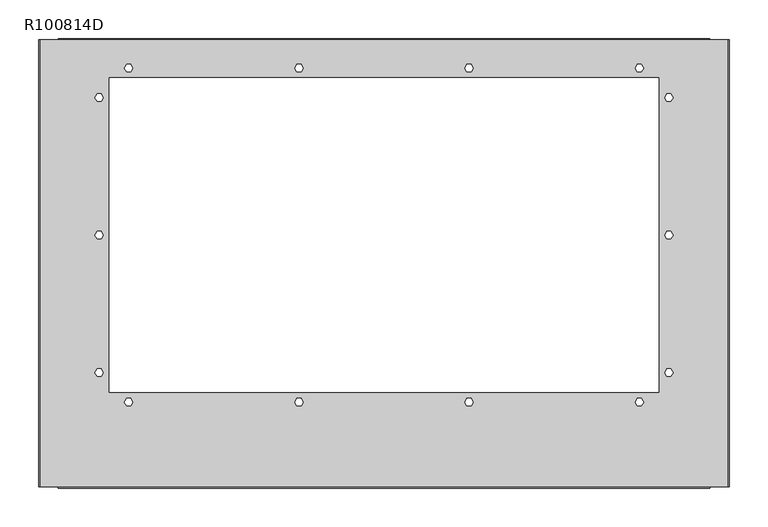
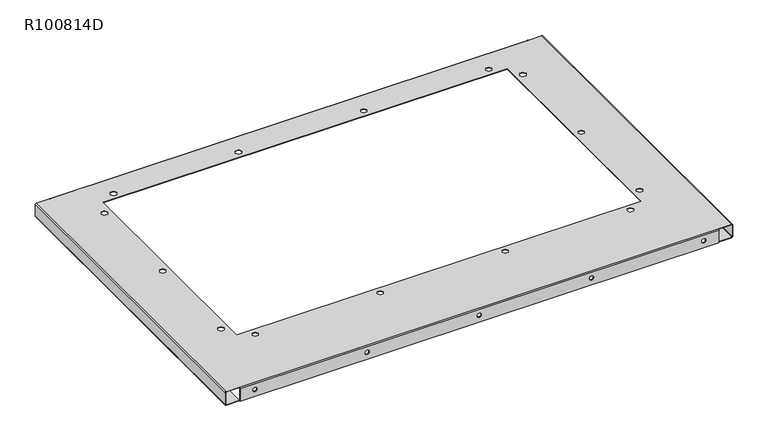
"""IFC4 building model written with IfcOpenShell, lengths in millimetres: proxy geometry, R100814D."""

from ifc_helpers import new_model, si_unit, frame, origin, place, context, project, spatial, polyline, circle_curve, source, transform, mapped, element, save
from ifc_brep_helpers import plane_surface, cylinder_surface, revolved_surface, advanced_brep


def r100814d_693b09c1(model_context):
    return source(origin(), model_context, "Body", "AdvancedBrep", [
        advanced_brep(
        [(458.9806764, -318.0851254, -11.84656), (458.9806764, -318.9385654, -11.84656), (451.7416764, -318.9385654, -11.84656), (451.7416764, -318.0851254, -11.84656), (-330.9593236, -318.0851254, -11.84656), (-330.9593236, -318.9385654, -11.84656), (-338.1983236, -318.9385654, -11.84656), (-338.1983236, -318.0851254, -11.84656), (64.0106764, -318.0851254, -11.84656), (64.0106764, -318.9385654, -11.84656), (56.7716764, -318.9385654, -11.84656), (56.7716764, -318.0851254, -11.84656), (-133.4743236, -318.0851254, -11.84656), (-133.4743236, -318.9385654, -11.84656), (-140.7133236, -318.9385654, -11.84656), (-140.7133236, -318.0851254, -11.84656), (261.4956764, -318.0851254, -11.84656), (261.4956764, -318.9385654, -11.84656), (254.2566764, -318.9385654, -11.84656), (254.2566764, -318.0851254, -11.84656), (431.440807, -164.6208654, 0.85344), (425.9415457, -164.6208654, 0.85344), (425.9415457, -164.6208654, 0.0), (431.440807, -164.6208654, 0.0), (423.191915, -169.3833654, 0.85344), (423.191915, -169.3833654, 0.0), (425.9415457, -174.1458654, 0.85344), (425.9415457, -174.1458654, 0.0), (431.440807, -174.1458654, 0.85344), (431.440807, -174.1458654, 0.0), (434.1904377, -169.3833654, 0.85344), (434.1904377, -169.3833654, 0.0), (-302.4095623, -169.3833654, 0.85344), (-305.159193, -164.6208654, 0.85344), (-305.159193, -164.6208654, 0.0), (-302.4095623, -169.3833654, 0.0), (-310.6584543, -164.6208654, 0.85344), (-310.6584543, -164.6208654, 0.0), (-313.408085, -169.3833654, 0.85344), (-313.408085, -169.3833654, 0.0), (-310.6584543, -174.1458654, 0.85344), (-310.6584543, -174.1458654, 0.0), (-305.159193, -174.1458654, 0.85344), (-305.159193, -174.1458654, 0.0), (-272.5584543, -212.2458654, 0.85344), (-267.059193, -212.2458654, 0.85344), (-267.059193, -212.2458654, 0.0), (-272.5584543, -212.2458654, 0.0), (-264.3095623, -207.4833654, 0.85344), (-264.3095623, -207.4833654, 0.0), (-267.059193, -202.7208654, 0.85344), (-267.059193, -202.7208654, 0.0), (-272.5584543, -202.7208654, 0.85344), (-272.5584543, -202.7208654, 0.0), (-275.308085, -207.4833654, 0.85344), (-275.308085, -207.4833654, 0.0), (-46.917393, -202.7208654, 0.85344), (-52.4166543, -202.7208654, 0.85344), (-52.4166543, -202.7208654, 0.0), (-46.917393, -202.7208654, 0.0), (-55.166285, -207.4833654, 0.85344), (-55.166285, -207.4833654, 0.0), (-52.4166543, -212.2458654, 0.85344), (-52.4166543, -212.2458654, 0.0), (-46.917393, -212.2458654, 0.85344), (-46.917393, -212.2458654, 0.0), (-44.1677623, -207.4833654, 0.85344), (-44.1677623, -207.4833654, 0.0), (393.366207, 229.0791346, 0.85344), (387.8669457, 229.0791346, 0.85344), (387.8669457, 229.0791346, 0.0), (393.366207, 229.0791346, 0.0), (385.117315, 224.3166346, 0.85344), (385.117315, 224.3166346, 0.0), (387.8669457, 219.5541346, 0.85344), (387.8669457, 219.5541346, 0.0), (393.366207, 219.5541346, 0.85344), (393.366207, 219.5541346, 0.0), (396.1158377, 224.3166346, 0.85344), (396.1158377, 224.3166346, 0.0), (-46.917393, 229.0791346, 0.85344), (-52.4166543, 229.0791346, 0.85344), (-52.4166543, 229.0791346, 0.0), (-46.917393, 229.0791346, 0.0), (-55.166285, 224.3166346, 0.85344), (-55.166285, 224.3166346, 0.0), (-52.4166543, 219.5541346, 0.85344), (-52.4166543, 219.5541346, 0.0), (-46.917393, 219.5541346, 0.85344), (-46.917393, 219.5541346, 0.0), (-44.1677623, 224.3166346, 0.85344), (-44.1677623, 224.3166346, 0.0), (-272.5584543, 219.5541346, 0.85344), (-267.059193, 219.5541346, 0.85344), (-267.059193, 219.5541346, 0.0), (-272.5584543, 219.5541346, 0.0), (-264.3095623, 224.3166346, 0.85344), (-264.3095623, 224.3166346, 0.0), (-267.059193, 229.0791346, 0.85344), (-267.059193, 229.0791346, 0.0), (-272.5584543, 229.0791346, 0.85344), (-272.5584543, 229.0791346, 0.0), (-275.308085, 224.3166346, 0.85344), (-275.308085, 224.3166346, 0.0), (-310.6584543, 181.4541346, 0.85344), (-305.159193, 181.4541346, 0.85344), (-305.159193, 181.4541346, 0.0), (-310.6584543, 181.4541346, 0.0), (-302.4095623, 186.2166346, 0.85344), (-302.4095623, 186.2166346, 0.0), (-305.159193, 190.9791346, 0.85344), (-305.159193, 190.9791346, 0.0), (-310.6584543, 190.9791346, 0.85344), (-310.6584543, 190.9791346, 0.0), (-313.408085, 186.2166346, 0.85344), (-313.408085, 186.2166346, 0.0), (173.224407, 229.0791346, 0.85344), (167.7251457, 229.0791346, 0.85344), (167.7251457, 229.0791346, 0.0), (173.224407, 229.0791346, 0.0), (164.975515, 224.3166346, 0.85344), (164.975515, 224.3166346, 0.0), (167.7251457, 219.5541346, 0.85344), (167.7251457, 219.5541346, 0.0), (173.224407, 219.5541346, 0.85344), (173.224407, 219.5541346, 0.0), (175.9740377, 224.3166346, 0.85344), (175.9740377, 224.3166346, 0.0), (167.7251457, -212.2458654, 0.85344), (173.224407, -212.2458654, 0.85344), (173.224407, -212.2458654, 0.0), (167.7251457, -212.2458654, 0.0), (175.9740377, -207.4833654, 0.85344), (175.9740377, -207.4833654, 0.0), (173.224407, -202.7208654, 0.85344), (173.224407, -202.7208654, 0.0), (167.7251457, -202.7208654, 0.85344), (167.7251457, -202.7208654, 0.0), (164.975515, -207.4833654, 0.85344), (164.975515, -207.4833654, 0.0), (387.8669457, -212.2458654, 0.85344), (393.366207, -212.2458654, 0.85344), (393.366207, -212.2458654, 0.0), (387.8669457, -212.2458654, 0.0), (396.1158377, -207.4833654, 0.85344), (396.1158377, -207.4833654, 0.0), (393.366207, -202.7208654, 0.85344), (393.366207, -202.7208654, 0.0), (387.8669457, -202.7208654, 0.85344), (387.8669457, -202.7208654, 0.0), (385.117315, -207.4833654, 0.85344), (385.117315, -207.4833654, 0.0), (-302.4095623, 8.4166346, 0.85344), (-305.159193, 13.1791346, 0.85344), (-305.159193, 13.1791346, 0.0), (-302.4095623, 8.4166346, 0.0), (-310.6584543, 13.1791346, 0.85344), (-310.6584543, 13.1791346, 0.0), (-313.408085, 8.4166346, 0.85344), (-313.408085, 8.4166346, 0.0), (-310.6584543, 3.6541346, 0.85344), (-310.6584543, 3.6541346, 0.0), (-305.159193, 3.6541346, 0.85344), (-305.159193, 3.6541346, 0.0), (425.9415457, 13.1791346, 0.85344), (423.191915, 8.4166346, 0.85344), (423.191915, 8.4166346, 0.0), (425.9415457, 13.1791346, 0.0), (425.9415457, 3.6541346, 0.85344), (425.9415457, 3.6541346, 0.0), (431.440807, 3.6541346, 0.85344), (431.440807, 3.6541346, 0.0), (434.1904377, 8.4166346, 0.85344), (434.1904377, 8.4166346, 0.0), (431.440807, 13.1791346, 0.85344), (431.440807, 13.1791346, 0.0), (431.440807, 190.9791346, 0.85344), (425.9415457, 190.9791346, 0.85344), (425.9415457, 190.9791346, 0.0), (431.440807, 190.9791346, 0.0), (423.191915, 186.2166346, 0.85344), (423.191915, 186.2166346, 0.0), (425.9415457, 181.4541346, 0.85344), (425.9415457, 181.4541346, 0.0), (431.440807, 181.4541346, 0.85344), (431.440807, 181.4541346, 0.0), (434.1904377, 186.2166346, 0.85344), (434.1904377, 186.2166346, 0.0), (-384.5101436, 260.7097546, -24.54656), (-384.5101436, -317.2316854, -24.54656), (-386.2170236, -317.2316854, -22.83968), (-386.2170236, 260.7097546, -22.83968), (-384.5101436, 260.7097546, -23.69312), (-360.8170236, 260.7097546, -23.69312), (-360.8170236, 260.7097546, -24.54656), (-384.5101436, -317.2316854, -23.69312), (-360.8170236, -317.2316854, -23.69312), (-385.3635836, -317.2316854, -22.83968), (-385.3635836, 260.7097546, -22.83968), (-360.8170236, -317.2316854, -24.54656), (505.2924964, -317.2316854, -24.54656), (505.2924964, 260.7097546, -24.54656), (506.9993764, 260.7097546, -22.83968), (506.9993764, -317.2316854, -22.83968), (505.2924964, -317.2316854, -23.69312), (481.5993764, -317.2316854, -23.69312), (481.5993764, -317.2316854, -24.54656), (505.2924964, 260.7097546, -23.69312), (481.5993764, 260.7097546, -23.69312), (506.1459364, 260.7097546, -22.83968), (506.1459364, -317.2316854, -22.83968), (481.5993764, 260.7097546, -24.54656), (-385.3635836, -317.2316854, -0.85344), (-386.2170236, -317.2316854, -0.85344), (-385.3635836, 260.7097546, -0.85344), (-386.2170236, 260.7097546, -0.85344), (506.1459364, 260.7097546, -0.85344), (506.9993764, 260.7097546, -0.85344), (506.1459364, -317.2316854, -0.85344), (506.9993764, -317.2316854, -0.85344), (-384.5101436, -317.2316854, 0.85344), (-384.5101436, 260.7097546, 0.85344), (-384.5101436, -317.2316854, 0.0), (-384.5101436, 260.7097546, 0.0), (505.2924964, 260.7097546, 0.85344), (505.2924964, -317.2316854, 0.85344), (505.2924964, 260.7097546, 0.0), (505.2924964, -317.2316854, 0.0), (-360.8170236, 260.7097546, 0.85344), (-360.8170236, 260.7097546, 0.0), (481.5993764, -317.2316854, 0.85344), (481.5993764, -317.2316854, 0.0), (-360.8170236, -317.2316854, 0.85344), (481.5993764, 260.7097546, 0.85344), (415.9911764, 211.6166346, 0.85344), (415.9911764, -194.7833654, 0.85344), (-295.2088236, -194.7833654, 0.85344), (-295.2088236, 211.6166346, 0.85344), (481.5993764, -318.9385654, -0.85344), (481.5993764, -318.9385654, -24.54656), (481.5993764, -318.0851254, -24.54656), (481.5993764, -318.0851254, -0.85344), (-360.8170236, -318.9385654, -24.54656), (-360.8170236, -318.0851254, -24.54656), (-360.8170236, -318.9385654, -0.85344), (-360.8170236, -317.2316854, 0.0), (-360.8170236, -318.0851254, -0.85344), (-360.8170236, 262.4166346, -0.85344), (-360.8170236, 262.4166346, -24.54656), (-360.8170236, 261.5631946, -24.54656), (-360.8170236, 261.5631946, -0.85344), (481.5993764, 262.4166346, -24.54656), (481.5993764, 261.5631946, -24.54656), (481.5993764, 262.4166346, -0.85344), (481.5993764, 260.7097546, 0.0), (481.5993764, 261.5631946, -0.85344), (415.9911764, 211.6166346, 0.0), (415.9911764, -194.7833654, 0.0), (-295.2088236, -194.7833654, 0.0), (-295.2088236, 211.6166346, 0.0)],
        [
            (0, 1),
            (1, 2, circle_curve(frame((455.3611764, -318.9385654, -11.84656), z_axis=(0.0, -1.0, 0.0), x_axis=(1.0, 0.0, 0.0)), 3.6195)),
            (2, 3),
            (3, 0, circle_curve(frame((455.3611764, -318.0851254, -11.84656), z_axis=(0.0, 1.0, 0.0), x_axis=(1.0, 0.0, 0.0)), 3.6195)),
            (4, 5),
            (5, 6, circle_curve(frame((-334.5788236, -318.9385654, -11.84656), z_axis=(0.0, -1.0, 0.0), x_axis=(1.0, 0.0, 0.0)), 3.6195)),
            (6, 7),
            (7, 4, circle_curve(frame((-334.5788236, -318.0851254, -11.84656), z_axis=(0.0, 1.0, 0.0), x_axis=(1.0, 0.0, 0.0)), 3.6195)),
            (8, 9),
            (9, 10, circle_curve(frame((60.3911764, -318.9385654, -11.84656), z_axis=(0.0, -1.0, 0.0), x_axis=(1.0, 0.0, 0.0)), 3.6195)),
            (10, 11),
            (11, 8, circle_curve(frame((60.3911764, -318.0851254, -11.84656), z_axis=(0.0, 1.0, 0.0), x_axis=(1.0, 0.0, 0.0)), 3.6195)),
            (12, 13),
            (13, 14, circle_curve(frame((-137.0938236, -318.9385654, -11.84656), z_axis=(0.0, -1.0, 0.0), x_axis=(1.0, 0.0, 0.0)), 3.6195)),
            (14, 15),
            (15, 12, circle_curve(frame((-137.0938236, -318.0851254, -11.84656), z_axis=(0.0, 1.0, 0.0), x_axis=(1.0, 0.0, 0.0)), 3.6195)),
            (16, 17),
            (17, 18, circle_curve(frame((257.8761764, -318.9385654, -11.84656), z_axis=(0.0, -1.0, 0.0), x_axis=(1.0, 0.0, 0.0)), 3.6195)),
            (18, 19),
            (19, 16, circle_curve(frame((257.8761764, -318.0851254, -11.84656), z_axis=(0.0, 1.0, 0.0), x_axis=(1.0, 0.0, 0.0)), 3.6195)),
            (20, 21),
            (21, 22),
            (22, 23),
            (23, 20),
            (21, 24),
            (24, 25),
            (25, 22),
            (24, 26),
            (26, 27),
            (27, 25),
            (26, 28),
            (28, 29),
            (29, 27),
            (28, 30),
            (30, 31),
            (31, 29),
            (30, 20),
            (23, 31),
            (32, 33),
            (33, 34),
            (34, 35),
            (35, 32),
            (33, 36),
            (36, 37),
            (37, 34),
            (36, 38),
            (38, 39),
            (39, 37),
            (38, 40),
            (40, 41),
            (41, 39),
            (40, 42),
            (42, 43),
            (43, 41),
            (42, 32),
            (35, 43),
            (44, 45),
            (45, 46),
            (46, 47),
            (47, 44),
            (45, 48),
            (48, 49),
            (49, 46),
            (48, 50),
            (50, 51),
            (51, 49),
            (50, 52),
            (52, 53),
            (53, 51),
            (52, 54),
            (54, 55),
            (55, 53),
            (54, 44),
            (47, 55),
            (56, 57),
            (57, 58),
            (58, 59),
            (59, 56),
            (57, 60),
            (60, 61),
            (61, 58),
            (60, 62),
            (62, 63),
            (63, 61),
            (62, 64),
            (64, 65),
            (65, 63),
            (64, 66),
            (66, 67),
            (67, 65),
            (66, 56),
            (59, 67),
            (68, 69),
            (69, 70),
            (70, 71),
            (71, 68),
            (69, 72),
            (72, 73),
            (73, 70),
            (72, 74),
            (74, 75),
            (75, 73),
            (74, 76),
            (76, 77),
            (77, 75),
            (76, 78),
            (78, 79),
            (79, 77),
            (78, 68),
            (71, 79),
            (80, 81),
            (81, 82),
            (82, 83),
            (83, 80),
            (81, 84),
            (84, 85),
            (85, 82),
            (84, 86),
            (86, 87),
            (87, 85),
            (86, 88),
            (88, 89),
            (89, 87),
            (88, 90),
            (90, 91),
            (91, 89),
            (90, 80),
            (83, 91),
            (92, 93),
            (93, 94),
            (94, 95),
            (95, 92),
            (93, 96),
            (96, 97),
            (97, 94),
            (96, 98),
            (98, 99),
            (99, 97),
            (98, 100),
            (100, 101),
            (101, 99),
            (100, 102),
            (102, 103),
            (103, 101),
            (102, 92),
            (95, 103),
            (104, 105),
            (105, 106),
            (106, 107),
            (107, 104),
            (105, 108),
            (108, 109),
            (109, 106),
            (108, 110),
            (110, 111),
            (111, 109),
            (110, 112),
            (112, 113),
            (113, 111),
            (112, 114),
            (114, 115),
            (115, 113),
            (114, 104),
            (107, 115),
            (116, 117),
            (117, 118),
            (118, 119),
            (119, 116),
            (117, 120),
            (120, 121),
            (121, 118),
            (120, 122),
            (122, 123),
            (123, 121),
            (122, 124),
            (124, 125),
            (125, 123),
            (124, 126),
            (126, 127),
            (127, 125),
            (126, 116),
            (119, 127),
            (128, 129),
            (129, 130),
            (130, 131),
            (131, 128),
            (129, 132),
            (132, 133),
            (133, 130),
            (132, 134),
            (134, 135),
            (135, 133),
            (134, 136),
            (136, 137),
            (137, 135),
            (136, 138),
            (138, 139),
            (139, 137),
            (138, 128),
            (131, 139),
            (140, 141),
            (141, 142),
            (142, 143),
            (143, 140),
            (141, 144),
            (144, 145),
            (145, 142),
            (144, 146),
            (146, 147),
            (147, 145),
            (146, 148),
            (148, 149),
            (149, 147),
            (148, 150),
            (150, 151),
            (151, 149),
            (150, 140),
            (143, 151),
            (152, 153),
            (153, 154),
            (154, 155),
            (155, 152),
            (153, 156),
            (156, 157),
            (157, 154),
            (156, 158),
            (158, 159),
            (159, 157),
            (158, 160),
            (160, 161),
            (161, 159),
            (160, 162),
            (162, 163),
            (163, 161),
            (162, 152),
            (155, 163),
            (164, 165),
            (165, 166),
            (166, 167),
            (167, 164),
            (165, 168),
            (168, 169),
            (169, 166),
            (168, 170),
            (170, 171),
            (171, 169),
            (170, 172),
            (172, 173),
            (173, 171),
            (172, 174),
            (174, 175),
            (175, 173),
            (174, 164),
            (167, 175),
            (176, 177),
            (177, 178),
            (178, 179),
            (179, 176),
            (177, 180),
            (180, 181),
            (181, 178),
            (180, 182),
            (182, 183),
            (183, 181),
            (182, 184),
            (184, 185),
            (185, 183),
            (184, 186),
            (186, 187),
            (187, 185),
            (186, 176),
            (179, 187),
            (16, 19, circle_curve(frame((257.8761764, -318.0851254, -11.84656), z_axis=(0.0, 1.0, 0.0), x_axis=(1.0, 0.0, 0.0)), 3.6195)),
            (18, 17, circle_curve(frame((257.8761764, -318.9385654, -11.84656), z_axis=(0.0, -1.0, 0.0), x_axis=(1.0, 0.0, 0.0)), 3.6195)),
            (12, 15, circle_curve(frame((-137.0938236, -318.0851254, -11.84656), z_axis=(0.0, 1.0, 0.0), x_axis=(1.0, 0.0, 0.0)), 3.6195)),
            (14, 13, circle_curve(frame((-137.0938236, -318.9385654, -11.84656), z_axis=(0.0, -1.0, 0.0), x_axis=(1.0, 0.0, 0.0)), 3.6195)),
            (8, 11, circle_curve(frame((60.3911764, -318.0851254, -11.84656), z_axis=(0.0, 1.0, 0.0), x_axis=(1.0, 0.0, 0.0)), 3.6195)),
            (10, 9, circle_curve(frame((60.3911764, -318.9385654, -11.84656), z_axis=(0.0, -1.0, 0.0), x_axis=(1.0, 0.0, 0.0)), 3.6195)),
            (4, 7, circle_curve(frame((-334.5788236, -318.0851254, -11.84656), z_axis=(0.0, 1.0, 0.0), x_axis=(1.0, 0.0, 0.0)), 3.6195)),
            (6, 5, circle_curve(frame((-334.5788236, -318.9385654, -11.84656), z_axis=(0.0, -1.0, 0.0), x_axis=(1.0, 0.0, 0.0)), 3.6195)),
            (0, 3, circle_curve(frame((455.3611764, -318.0851254, -11.84656), z_axis=(0.0, 1.0, 0.0), x_axis=(1.0, 0.0, 0.0)), 3.6195)),
            (2, 1, circle_curve(frame((455.3611764, -318.9385654, -11.84656), z_axis=(0.0, -1.0, 0.0), x_axis=(1.0, 0.0, 0.0)), 3.6195)),
            (188, 189),
            (189, 190, circle_curve(frame((-384.5101436, -317.2316854, -22.83968), z_axis=(0.0, 1.0, 0.0), x_axis=(-1.0, 0.0, 0.0)), 1.70688)),
            (190, 191),
            (191, 188, circle_curve(frame((-384.5101436, 260.7097546, -22.83968), z_axis=(0.0, -1.0, 0.0), x_axis=(-1.0, 0.0, 0.0)), 1.70688)),
            (188, 192),
            (192, 193),
            (193, 194),
            (194, 188),
            (192, 195),
            (195, 196),
            (196, 193),
            (189, 195),
            (195, 197, circle_curve(frame((-384.5101436, -317.2316854, -22.83968), z_axis=(0.0, 1.0, 0.0), x_axis=(-1.0, 0.0, 0.0)), 0.85344)),
            (197, 190),
            (191, 198),
            (198, 192, circle_curve(frame((-384.5101436, 260.7097546, -22.83968), z_axis=(0.0, -1.0, 0.0), x_axis=(-1.0, 0.0, 0.0)), 0.85344)),
            (189, 199),
            (199, 196),
            (199, 194),
            (198, 197),
            (200, 201),
            (201, 202, circle_curve(frame((505.2924964, 260.7097546, -22.83968), z_axis=(0.0, -1.0, 0.0), x_axis=(1.0, 0.0, 0.0)), 1.70688)),
            (202, 203),
            (203, 200, circle_curve(frame((505.2924964, -317.2316854, -22.83968), z_axis=(0.0, 1.0, 0.0), x_axis=(1.0, 0.0, 0.0)), 1.70688)),
            (200, 204),
            (204, 205),
            (205, 206),
            (206, 200),
            (204, 207),
            (207, 208),
            (208, 205),
            (201, 207),
            (207, 209, circle_curve(frame((505.2924964, 260.7097546, -22.83968), z_axis=(0.0, -1.0, 0.0), x_axis=(1.0, 0.0, 0.0)), 0.85344)),
            (209, 202),
            (203, 210),
            (210, 204, circle_curve(frame((505.2924964, -317.2316854, -22.83968), z_axis=(0.0, 1.0, 0.0), x_axis=(1.0, 0.0, 0.0)), 0.85344)),
            (201, 211),
            (211, 208),
            (211, 206),
            (210, 209),
            (197, 212),
            (212, 213),
            (213, 190),
            (198, 214),
            (214, 212),
            (191, 215),
            (215, 214),
            (209, 216),
            (216, 217),
            (217, 202),
            (210, 218),
            (218, 216),
            (203, 219),
            (219, 218),
            (215, 213),
            (213, 220, circle_curve(frame((-384.5101436, -317.2316854, -0.85344), z_axis=(0.0, 1.0, 0.0), x_axis=(0.0, 0.0, 1.0)), 1.70688)),
            (220, 221),
            (221, 215, circle_curve(frame((-384.5101436, 260.7097546, -0.85344), z_axis=(0.0, -1.0, 0.0), x_axis=(0.0, 0.0, 1.0)), 1.70688)),
            (212, 222, circle_curve(frame((-384.5101436, -317.2316854, -0.85344), z_axis=(0.0, 1.0, 0.0), x_axis=(0.0, 0.0, 1.0)), 0.85344)),
            (222, 220),
            (221, 223),
            (223, 214, circle_curve(frame((-384.5101436, 260.7097546, -0.85344), z_axis=(0.0, -1.0, 0.0), x_axis=(0.0, 0.0, 1.0)), 0.85344)),
            (223, 222),
            (219, 217),
            (217, 224, circle_curve(frame((505.2924964, 260.7097546, -0.85344), z_axis=(0.0, -1.0, 0.0), x_axis=(0.0, 0.0, 1.0)), 1.70688)),
            (224, 225),
            (225, 219, circle_curve(frame((505.2924964, -317.2316854, -0.85344), z_axis=(0.0, 1.0, 0.0), x_axis=(0.0, 0.0, 1.0)), 1.70688)),
            (216, 226, circle_curve(frame((505.2924964, 260.7097546, -0.85344), z_axis=(0.0, -1.0, 0.0), x_axis=(0.0, 0.0, 1.0)), 0.85344)),
            (226, 224),
            (225, 227),
            (227, 218, circle_curve(frame((505.2924964, -317.2316854, -0.85344), z_axis=(0.0, 1.0, 0.0), x_axis=(0.0, 0.0, 1.0)), 0.85344)),
            (227, 226),
            (221, 228),
            (228, 229),
            (229, 223),
            (225, 230),
            (230, 231),
            (231, 227),
            (220, 232),
            (232, 230),
            (224, 233),
            (233, 228),
            (234, 235),
            (235, 236),
            (236, 237),
            (237, 234),
            (230, 238, circle_curve(frame((481.5993764, -317.2316854, -0.85344), z_axis=(1.0, 0.0, 0.0), x_axis=(0.0, 0.0, 1.0)), 1.70688)),
            (238, 239),
            (239, 240),
            (240, 241),
            (241, 231, circle_curve(frame((481.5993764, -317.2316854, -0.85344), z_axis=(-1.0, 0.0, 0.0), x_axis=(0.0, 0.0, 1.0)), 0.85344)),
            (239, 242),
            (242, 243),
            (243, 240),
            (238, 244),
            (244, 242),
            (232, 244, circle_curve(frame((-360.8170236, -317.2316854, -0.85344), z_axis=(1.0, 0.0, 0.0), x_axis=(0.0, 0.0, 1.0)), 1.70688)),
            (222, 245),
            (245, 232),
            (245, 246, circle_curve(frame((-360.8170236, -317.2316854, -0.85344), z_axis=(1.0, 0.0, 0.0), x_axis=(0.0, 0.0, 1.0)), 0.85344)),
            (246, 243),
            (241, 246),
            (245, 231),
            (228, 247, circle_curve(frame((-360.8170236, 260.7097546, -0.85344), z_axis=(-1.0, 0.0, 0.0), x_axis=(0.0, 0.0, 1.0)), 1.70688)),
            (247, 248),
            (248, 249),
            (249, 250),
            (250, 229, circle_curve(frame((-360.8170236, 260.7097546, -0.85344), z_axis=(1.0, 0.0, 0.0), x_axis=(0.0, 0.0, 1.0)), 0.85344)),
            (248, 251),
            (251, 252),
            (252, 249),
            (247, 253),
            (253, 251),
            (233, 253, circle_curve(frame((481.5993764, 260.7097546, -0.85344), z_axis=(-1.0, 0.0, 0.0), x_axis=(0.0, 0.0, 1.0)), 1.70688)),
            (226, 254),
            (254, 233),
            (254, 255, circle_curve(frame((481.5993764, 260.7097546, -0.85344), z_axis=(-1.0, 0.0, 0.0), x_axis=(0.0, 0.0, 1.0)), 0.85344)),
            (255, 252),
            (250, 255),
            (254, 229),
            (234, 256),
            (256, 257),
            (257, 235),
            (257, 258),
            (258, 236),
            (258, 259),
            (259, 237),
            (259, 256),
        ],
        [
            revolved_surface(polyline([(458.9806764, -318.9385654, -11.84656), (458.9806764, -318.0851254, -11.84656)]), (455.3611764, -318.5118454, -11.84656), (0.0, -1.0, 0.0)),
            revolved_surface(polyline([(-330.9593236, -318.9385654, -11.84656), (-330.9593236, -318.0851254, -11.84656)]), (-334.5788236, -318.5118454, -11.84656), (0.0, -1.0, 0.0)),
            revolved_surface(polyline([(64.0106764, -318.9385654, -11.84656), (64.0106764, -318.0851254, -11.84656)]), (60.3911764, -318.5118454, -11.84656), (0.0, -1.0, 0.0)),
            revolved_surface(polyline([(-133.47432360000002, -318.9385654, -11.84656), (-133.47432360000002, -318.0851254, -11.84656)]), (-137.0938236, -318.5118454, -11.84656), (0.0, -1.0, 0.0)),
            revolved_surface(polyline([(261.49567640000004, -318.9385654, -11.84656), (261.49567640000004, -318.0851254, -11.84656)]), (257.8761764, -318.5118454, -11.84656), (0.0, -1.0, 0.0)),
            plane_surface(frame((425.9415457, -164.6208654, 0.85344), z_axis=(0.0, -1.0, 0.0), x_axis=(1.0, 0.0, 0.0))),
            plane_surface(frame((423.191915, -169.3833654, 0.85344), z_axis=(0.8660254037844416, -0.49999999999999506, 0.0), x_axis=(0.49999999999999506, 0.8660254037844416, 0.0))),
            plane_surface(frame((425.9415457, -174.1458654, 0.85344), z_axis=(0.8660254037844359, 0.5000000000000049, 0.0), x_axis=(-0.5000000000000049, 0.8660254037844359, 0.0))),
            plane_surface(frame((431.440807, -174.1458654, 0.85344), z_axis=(0.0, 1.0, 0.0), x_axis=(-1.0, 0.0, 0.0))),
            plane_surface(frame((434.1904377, -169.3833654, 0.85344), z_axis=(-0.8660254037844327, 0.5000000000000104, 0.0), x_axis=(-0.5000000000000104, -0.8660254037844327, 0.0))),
            plane_surface(frame((431.440807, -164.6208654, 0.85344), z_axis=(-0.8660254037844424, -0.49999999999999356, 0.0), x_axis=(0.49999999999999356, -0.8660254037844424, 0.0))),
            plane_surface(frame((-305.159193, -164.6208654, 0.85344), z_axis=(-0.8660254037844392, -0.49999999999999917, 0.0), x_axis=(0.49999999999999917, -0.8660254037844392, 0.0))),
            plane_surface(frame((-310.6584543, -164.6208654, 0.85344), z_axis=(0.0, -1.0, 0.0), x_axis=(1.0, 0.0, 0.0))),
            plane_surface(frame((-313.408085, -169.3833654, 0.85344), z_axis=(0.8660254037844387, -0.4999999999999999, 0.0), x_axis=(0.4999999999999999, 0.8660254037844387, 0.0))),
            plane_surface(frame((-310.6584543, -174.1458654, 0.85344), z_axis=(0.8660254037844343, 0.5000000000000075, 0.0), x_axis=(-0.5000000000000075, 0.8660254037844343, 0.0))),
            plane_surface(frame((-305.159193, -174.1458654, 0.85344), z_axis=(0.0, 1.0, 0.0), x_axis=(-1.0, 0.0, 0.0))),
            plane_surface(frame((-302.4095623, -169.3833654, 0.85344), z_axis=(-0.8660254037844372, 0.5000000000000028, 0.0), x_axis=(-0.5000000000000028, -0.8660254037844372, 0.0))),
            plane_surface(frame((-267.059193, -212.2458654, 0.85344), z_axis=(0.0, 1.0, 0.0), x_axis=(-1.0, 0.0, 0.0))),
            plane_surface(frame((-264.3095623, -207.4833654, 0.85344), z_axis=(-0.8660254037844416, 0.49999999999999506, 0.0), x_axis=(-0.49999999999999506, -0.8660254037844416, 0.0))),
            plane_surface(frame((-267.059193, -202.7208654, 0.85344), z_axis=(-0.8660254037844471, -0.49999999999998535, 0.0), x_axis=(0.49999999999998535, -0.8660254037844471, 0.0))),
            plane_surface(frame((-272.5584543, -202.7208654, 0.85344), z_axis=(0.0, -1.0, 0.0), x_axis=(1.0, 0.0, 0.0))),
            plane_surface(frame((-275.308085, -207.4833654, 0.85344), z_axis=(0.8660254037844327, -0.5000000000000104, 0.0), x_axis=(0.5000000000000104, 0.8660254037844327, 0.0))),
            plane_surface(frame((-272.5584543, -212.2458654, 0.85344), z_axis=(0.8660254037844448, 0.4999999999999895, 0.0), x_axis=(-0.4999999999999895, 0.8660254037844448, 0.0))),
            plane_surface(frame((-52.4166543, -202.7208654, 0.85344), z_axis=(0.0, -1.0, 0.0), x_axis=(1.0, 0.0, 0.0))),
            plane_surface(frame((-55.166285, -207.4833654, 0.85344), z_axis=(0.8660254037844387, -0.4999999999999999, 0.0), x_axis=(0.4999999999999999, 0.8660254037844387, 0.0))),
            plane_surface(frame((-52.4166543, -212.2458654, 0.85344), z_axis=(0.8660254037844387, 0.4999999999999999, 0.0), x_axis=(-0.4999999999999999, 0.8660254037844387, 0.0))),
            plane_surface(frame((-46.917393, -212.2458654, 0.85344), z_axis=(0.0, 1.0, 0.0), x_axis=(-1.0, 0.0, 0.0))),
            plane_surface(frame((-44.1677623, -207.4833654, 0.85344), z_axis=(-0.8660254037844387, 0.4999999999999999, 0.0), x_axis=(-0.4999999999999999, -0.8660254037844387, 0.0))),
            plane_surface(frame((-46.917393, -202.7208654, 0.85344), z_axis=(-0.8660254037844387, -0.4999999999999999, 0.0), x_axis=(0.4999999999999999, -0.8660254037844387, 0.0))),
            plane_surface(frame((387.8669457, 229.0791346, 0.85344), z_axis=(0.0, -1.0, 0.0), x_axis=(1.0, 0.0, 0.0))),
            plane_surface(frame((385.117315, 224.3166346, 0.85344), z_axis=(0.8660254037844336, -0.5000000000000089, 0.0), x_axis=(0.5000000000000089, 0.8660254037844336, 0.0))),
            plane_surface(frame((387.8669457, 219.5541346, 0.85344), z_axis=(0.8660254037844392, 0.49999999999999917, 0.0), x_axis=(-0.49999999999999917, 0.8660254037844392, 0.0))),
            plane_surface(frame((393.366207, 219.5541346, 0.85344), z_axis=(0.0, 1.0, 0.0), x_axis=(-1.0, 0.0, 0.0))),
            plane_surface(frame((396.1158377, 224.3166346, 0.85344), z_axis=(-0.8660254037844431, 0.4999999999999923, 0.0), x_axis=(-0.4999999999999923, -0.8660254037844431, 0.0))),
            plane_surface(frame((393.366207, 229.0791346, 0.85344), z_axis=(-0.8660254037844487, -0.49999999999998257, 0.0), x_axis=(0.49999999999998257, -0.8660254037844487, 0.0))),
            plane_surface(frame((-52.4166543, 229.0791346, 0.85344), z_axis=(0.0, -1.0, 0.0), x_axis=(1.0, 0.0, 0.0))),
            plane_surface(frame((-55.166285, 224.3166346, 0.85344), z_axis=(0.8660254037844359, -0.5000000000000049, 0.0), x_axis=(0.5000000000000049, 0.8660254037844359, 0.0))),
            plane_surface(frame((-52.4166543, 219.5541346, 0.85344), z_axis=(0.8660254037844383, 0.5000000000000008, 0.0), x_axis=(-0.5000000000000008, 0.8660254037844383, 0.0))),
            plane_surface(frame((-46.917393, 219.5541346, 0.85344), z_axis=(0.0, 1.0, 0.0), x_axis=(-1.0, 0.0, 0.0))),
            plane_surface(frame((-44.1677623, 224.3166346, 0.85344), z_axis=(-0.8660254037844395, 0.4999999999999987, 0.0), x_axis=(-0.4999999999999987, -0.8660254037844395, 0.0))),
            plane_surface(frame((-46.917393, 229.0791346, 0.85344), z_axis=(-0.8660254037844404, -0.49999999999999717, 0.0), x_axis=(0.49999999999999717, -0.8660254037844404, 0.0))),
            plane_surface(frame((-267.059193, 219.5541346, 0.85344), z_axis=(0.0, 1.0, 0.0), x_axis=(-1.0, 0.0, 0.0))),
            plane_surface(frame((-264.3095623, 224.3166346, 0.85344), z_axis=(-0.8660254037844355, 0.5000000000000056, 0.0), x_axis=(-0.5000000000000056, -0.8660254037844355, 0.0))),
            plane_surface(frame((-267.059193, 229.0791346, 0.85344), z_axis=(-0.8660254037844359, -0.5000000000000049, 0.0), x_axis=(0.5000000000000049, -0.8660254037844359, 0.0))),
            plane_surface(frame((-272.5584543, 229.0791346, 0.85344), z_axis=(0.0, -1.0, 0.0), x_axis=(1.0, 0.0, 0.0))),
            plane_surface(frame((-275.308085, 224.3166346, 0.85344), z_axis=(0.8660254037844384, -0.5000000000000007, 0.0), x_axis=(0.5000000000000007, 0.8660254037844384, 0.0))),
            plane_surface(frame((-272.5584543, 219.5541346, 0.85344), z_axis=(0.8660254037844443, 0.4999999999999902, 0.0), x_axis=(-0.4999999999999902, 0.8660254037844443, 0.0))),
            plane_surface(frame((-305.159193, 181.4541346, 0.85344), z_axis=(0.0, 1.0, 0.0), x_axis=(-1.0, 0.0, 0.0))),
            plane_surface(frame((-302.4095623, 186.2166346, 0.85344), z_axis=(-0.8660254037844392, 0.49999999999999917, 0.0), x_axis=(-0.49999999999999917, -0.8660254037844392, 0.0))),
            plane_surface(frame((-305.159193, 190.9791346, 0.85344), z_axis=(-0.8660254037844292, -0.5000000000000165, 0.0), x_axis=(0.5000000000000165, -0.8660254037844292, 0.0))),
            plane_surface(frame((-310.6584543, 190.9791346, 0.85344), z_axis=(0.0, -1.0, 0.0), x_axis=(1.0, 0.0, 0.0))),
            plane_surface(frame((-313.408085, 186.2166346, 0.85344), z_axis=(0.8660254037844448, -0.4999999999999895, 0.0), x_axis=(0.4999999999999895, 0.8660254037844448, 0.0))),
            plane_surface(frame((-310.6584543, 181.4541346, 0.85344), z_axis=(0.8660254037844315, 0.5000000000000124, 0.0), x_axis=(-0.5000000000000124, 0.8660254037844315, 0.0))),
            plane_surface(frame((167.7251457, 229.0791346, 0.85344), z_axis=(0.0, -1.0, 0.0), x_axis=(1.0, 0.0, 0.0))),
            plane_surface(frame((164.975515, 224.3166346, 0.85344), z_axis=(0.8660254037844448, -0.4999999999999895, 0.0), x_axis=(0.4999999999999895, 0.8660254037844448, 0.0))),
            plane_surface(frame((167.7251457, 219.5541346, 0.85344), z_axis=(0.8660254037844359, 0.5000000000000049, 0.0), x_axis=(-0.5000000000000049, 0.8660254037844359, 0.0))),
            plane_surface(frame((173.224407, 219.5541346, 0.85344), z_axis=(0.0, 1.0, 0.0), x_axis=(-1.0, 0.0, 0.0))),
            plane_surface(frame((175.9740377, 224.3166346, 0.85344), z_axis=(-0.8660254037844448, 0.4999999999999895, 0.0), x_axis=(-0.4999999999999895, -0.8660254037844448, 0.0))),
            plane_surface(frame((173.224407, 229.0791346, 0.85344), z_axis=(-0.8660254037844376, -0.500000000000002, 0.0), x_axis=(0.500000000000002, -0.8660254037844376, 0.0))),
            plane_surface(frame((173.224407, -212.2458654, 0.85344), z_axis=(0.0, 1.0, 0.0), x_axis=(-1.0, 0.0, 0.0))),
            plane_surface(frame((175.9740377, -207.4833654, 0.85344), z_axis=(-0.8660254037844399, 0.4999999999999979, 0.0), x_axis=(-0.4999999999999979, -0.8660254037844399, 0.0))),
            plane_surface(frame((173.224407, -202.7208654, 0.85344), z_axis=(-0.8660254037844455, -0.4999999999999882, 0.0), x_axis=(0.4999999999999882, -0.8660254037844455, 0.0))),
            plane_surface(frame((167.7251457, -202.7208654, 0.85344), z_axis=(0.0, -1.0, 0.0), x_axis=(1.0, 0.0, 0.0))),
            plane_surface(frame((164.975515, -207.4833654, 0.85344), z_axis=(0.8660254037844359, -0.5000000000000049, 0.0), x_axis=(0.5000000000000049, 0.8660254037844359, 0.0))),
            plane_surface(frame((167.7251457, -212.2458654, 0.85344), z_axis=(0.8660254037844416, 0.49999999999999506, 0.0), x_axis=(-0.49999999999999506, 0.8660254037844416, 0.0))),
            plane_surface(frame((393.366207, -212.2458654, 0.85344), z_axis=(0.0, 1.0, 0.0), x_axis=(-1.0, 0.0, 0.0))),
            plane_surface(frame((396.1158377, -207.4833654, 0.85344), z_axis=(-0.8660254037844431, 0.4999999999999923, 0.0), x_axis=(-0.4999999999999923, -0.8660254037844431, 0.0))),
            plane_surface(frame((393.366207, -202.7208654, 0.85344), z_axis=(-0.8660254037844455, -0.4999999999999882, 0.0), x_axis=(0.4999999999999882, -0.8660254037844455, 0.0))),
            plane_surface(frame((387.8669457, -202.7208654, 0.85344), z_axis=(0.0, -1.0, 0.0), x_axis=(1.0, 0.0, 0.0))),
            plane_surface(frame((385.117315, -207.4833654, 0.85344), z_axis=(0.8660254037844384, -0.5000000000000007, 0.0), x_axis=(0.5000000000000007, 0.8660254037844384, 0.0))),
            plane_surface(frame((387.8669457, -212.2458654, 0.85344), z_axis=(0.8660254037844504, 0.4999999999999798, 0.0), x_axis=(-0.4999999999999798, 0.8660254037844504, 0.0))),
            plane_surface(frame((-305.159193, 13.1791346, 0.85344), z_axis=(-0.8660254037844416, -0.49999999999999506, 0.0), x_axis=(0.49999999999999506, -0.8660254037844416, 0.0))),
            plane_surface(frame((-310.6584543, 13.1791346, 0.85344), z_axis=(0.0, -1.0, 0.0), x_axis=(1.0, 0.0, 0.0))),
            plane_surface(frame((-313.408085, 8.4166346, 0.85344), z_axis=(0.8660254037844387, -0.4999999999999999, 0.0), x_axis=(0.4999999999999999, 0.8660254037844387, 0.0))),
            plane_surface(frame((-310.6584543, 3.6541346, 0.85344), z_axis=(0.8660254037844379, 0.5000000000000013, 0.0), x_axis=(-0.5000000000000013, 0.8660254037844379, 0.0))),
            plane_surface(frame((-305.159193, 3.6541346, 0.85344), z_axis=(0.0, 1.0, 0.0), x_axis=(-1.0, 0.0, 0.0))),
            plane_surface(frame((-302.4095623, 8.4166346, 0.85344), z_axis=(-0.866025403784439, 0.4999999999999993, 0.0), x_axis=(-0.4999999999999993, -0.866025403784439, 0.0))),
            plane_surface(frame((423.191915, 8.4166346, 0.85344), z_axis=(0.8660254037844384, -0.5000000000000007, 0.0), x_axis=(0.5000000000000007, 0.8660254037844384, 0.0))),
            plane_surface(frame((425.9415457, 3.6541346, 0.85344), z_axis=(0.866025403784434, 0.5000000000000081, 0.0), x_axis=(-0.5000000000000081, 0.866025403784434, 0.0))),
            plane_surface(frame((431.440807, 3.6541346, 0.85344), z_axis=(0.0, 1.0, 0.0), x_axis=(-1.0, 0.0, 0.0))),
            plane_surface(frame((434.1904377, 8.4166346, 0.85344), z_axis=(-0.8660254037844428, 0.4999999999999928, 0.0), x_axis=(-0.4999999999999928, -0.8660254037844428, 0.0))),
            plane_surface(frame((431.440807, 13.1791346, 0.85344), z_axis=(-0.8660254037844272, -0.5000000000000201, 0.0), x_axis=(0.5000000000000201, -0.8660254037844272, 0.0))),
            plane_surface(frame((425.9415457, 13.1791346, 0.85344), z_axis=(0.0, -1.0, 0.0), x_axis=(1.0, 0.0, 0.0))),
            plane_surface(frame((425.9415457, 190.9791346, 0.85344), z_axis=(0.0, -1.0, 0.0), x_axis=(1.0, 0.0, 0.0))),
            plane_surface(frame((423.191915, 186.2166346, 0.85344), z_axis=(0.8660254037844359, -0.5000000000000049, 0.0), x_axis=(0.5000000000000049, 0.8660254037844359, 0.0))),
            plane_surface(frame((425.9415457, 181.4541346, 0.85344), z_axis=(0.8660254037844376, 0.500000000000002, 0.0), x_axis=(-0.500000000000002, 0.8660254037844376, 0.0))),
            plane_surface(frame((431.440807, 181.4541346, 0.85344), z_axis=(0.0, 1.0, 0.0), x_axis=(-1.0, 0.0, 0.0))),
            plane_surface(frame((434.1904377, 186.2166346, 0.85344), z_axis=(-0.8660254037844376, 0.500000000000002, 0.0), x_axis=(-0.500000000000002, -0.8660254037844376, 0.0))),
            plane_surface(frame((431.440807, 190.9791346, 0.85344), z_axis=(-0.8660254037844303, -0.5000000000000145, 0.0), x_axis=(0.5000000000000145, -0.8660254037844303, 0.0))),
            cylinder_surface(frame((-384.5101436, -28.2609654, -22.83968), z_axis=(0.0, -1.0, 0.0), x_axis=(-1.0, 0.0, 0.0)), 1.70688),
            plane_surface(frame((-384.5101436, 260.7097546, -23.69312), z_axis=(0.0, 1.0, 0.0), x_axis=(-1.0, 0.0, 0.0))),
            plane_surface(frame((-373.6288015, -28.2609654, -23.69312), z_axis=(0.0, 0.0, 1.0), x_axis=(1.0, 0.0, 0.0))),
            plane_surface(frame((-384.5101436, -317.2316854, -23.69312), z_axis=(0.0, -1.0, 0.0), x_axis=(0.0, 0.0, -1.0))),
            plane_surface(frame((-384.5101436, 260.7097546, -24.54656), z_axis=(0.0, 1.0, 0.0), x_axis=(0.0, 0.0, 1.0))),
            plane_surface(frame((-384.5101436, -317.2316854, -23.69312), z_axis=(0.0, -1.0, 0.0), x_axis=(1.0, 0.0, 0.0))),
            plane_surface(frame((-360.8170236, -317.2316854, -23.69312), z_axis=(1.0, 0.0, 0.0), x_axis=(0.0, 0.0, -1.0))),
            plane_surface(frame((-373.6288015, -28.2609654, -24.54656), z_axis=(0.0, 0.0, -1.0), x_axis=(1.0, 0.0, 0.0))),
            revolved_surface(polyline([(-385.36358359999997, -317.2316854, -22.83968), (-385.36358359999997, 260.7097546, -22.83968)]), (-384.5101436, -28.2609654, -22.83968), (0.0, -1.0, 0.0)),
            cylinder_surface(frame((505.2924964, -28.2609654, -22.83968), z_axis=(0.0, 1.0, 0.0), x_axis=(1.0, 0.0, 0.0)), 1.70688),
            plane_surface(frame((505.2924964, -317.2316854, -23.69312), z_axis=(0.0, -1.0, 0.0), x_axis=(-1.0, 0.0, 0.0))),
            plane_surface(frame((494.4111543, -28.2609654, -23.69312), z_axis=(0.0, 0.0, 1.0), x_axis=(-1.0, 0.0, 0.0))),
            plane_surface(frame((505.2924964, 260.7097546, -23.69312), z_axis=(0.0, 1.0, 0.0), x_axis=(0.0, 0.0, 1.0))),
            plane_surface(frame((505.2924964, -317.2316854, -24.54656), z_axis=(0.0, -1.0, 0.0), x_axis=(0.0, 0.0, -1.0))),
            plane_surface(frame((505.2924964, 260.7097546, -23.69312), z_axis=(0.0, 1.0, 0.0), x_axis=(1.0, 0.0, 0.0))),
            plane_surface(frame((481.5993764, 260.7097546, -23.69312), z_axis=(-1.0, 0.0, 0.0), x_axis=(0.0, 0.0, 1.0))),
            plane_surface(frame((494.4111543, -28.2609654, -24.54656), z_axis=(0.0, 0.0, -1.0), x_axis=(-1.0, 0.0, 0.0))),
            revolved_surface(polyline([(506.1459364, 260.7097546, -22.83968), (506.1459364, -317.2316854, -22.83968)]), (505.2924964, -28.2609654, -22.83968), (0.0, 1.0, 0.0)),
            plane_surface(frame((-385.3635836, -317.2316854, -0.85344), z_axis=(0.0, -1.0, 0.0), x_axis=(1.0, 0.0, 0.0))),
            plane_surface(frame((-385.3635836, -28.2609654, -11.7347821), z_axis=(1.0, 0.0, 0.0), x_axis=(0.0, 0.0, 1.0))),
            plane_surface(frame((-385.3635836, 260.7097546, -0.85344), z_axis=(0.0, 1.0, 0.0), x_axis=(-1.0, 0.0, 0.0))),
            plane_surface(frame((506.1459364, 260.7097546, -0.85344), z_axis=(0.0, 1.0, 0.0), x_axis=(1.0, 0.0, 0.0))),
            plane_surface(frame((506.1459364, -28.2609654, -11.7347821), z_axis=(-1.0, 0.0, 0.0), x_axis=(0.0, 0.0, -1.0))),
            plane_surface(frame((506.1459364, -317.2316854, -0.85344), z_axis=(0.0, -1.0, 0.0), x_axis=(-1.0, 0.0, 0.0))),
            cylinder_surface(frame((-384.5101436, -28.2609654, -0.85344), z_axis=(0.0, -1.0, 0.0), x_axis=(0.0, 0.0, 1.0)), 1.70688),
            plane_surface(frame((-385.3635836, -317.2316854, -0.85344), z_axis=(0.0, -1.0, 0.0), x_axis=(0.0, 0.0, -1.0))),
            plane_surface(frame((-386.2170236, 260.7097546, -0.85344), z_axis=(0.0, 1.0, 0.0), x_axis=(0.0, 0.0, 1.0))),
            plane_surface(frame((-386.2170236, -28.2609654, -11.7347821), z_axis=(-1.0, 0.0, 0.0), x_axis=(0.0, 0.0, 1.0))),
            revolved_surface(polyline([(-384.5101436, -317.2316854, 0.0), (-384.5101436, 260.7097546, 0.0)]), (-384.5101436, -28.2609654, -0.85344), (0.0, -1.0, 0.0)),
            cylinder_surface(frame((505.2924964, -28.2609654, -0.85344), z_axis=(0.0, 1.0, 0.0), x_axis=(0.0, 0.0, 1.0)), 1.70688),
            plane_surface(frame((506.1459364, 260.7097546, -0.85344), z_axis=(0.0, 1.0, 0.0), x_axis=(0.0, 0.0, 1.0))),
            plane_surface(frame((506.9993764, -317.2316854, -0.85344), z_axis=(0.0, -1.0, 0.0), x_axis=(0.0, 0.0, -1.0))),
            plane_surface(frame((506.9993764, -28.2609654, -11.7347821), z_axis=(1.0, 0.0, 0.0), x_axis=(0.0, 0.0, -1.0))),
            revolved_surface(polyline([(505.2924964, 260.7097546, 0.0), (505.2924964, -317.2316854, 0.0)]), (505.2924964, -28.2609654, -0.85344), (0.0, 1.0, 0.0)),
            plane_surface(frame((-386.2170236, 260.7097546, 0.85344), z_axis=(0.0, 1.0, 0.0), x_axis=(0.0, 0.0, -1.0))),
            plane_surface(frame((506.9993764, -317.2316854, 0.85344), z_axis=(0.0, -1.0, 0.0), x_axis=(0.0, 0.0, -1.0))),
            plane_surface(frame((60.3911764, -28.2609654, 0.85344), z_axis=(0.0, 0.0, 1.0), x_axis=(1.0, 0.0, 0.0))),
            plane_surface(frame((481.5993764, -318.0412852, -0.0438402), z_axis=(1.0, 0.0, 0.0), x_axis=(0.0, 0.0, -1.0))),
            plane_surface(frame((506.9993764, -318.0851254, -24.54656), z_axis=(0.0, 0.0, -1.0), x_axis=(0.0, 1.0, 0.0))),
            plane_surface(frame((60.3911764, -318.9385654, -11.7347821), z_axis=(0.0, -1.0, 0.0), x_axis=(1.0, 0.0, 0.0))),
            cylinder_surface(frame((60.3911764, -317.2316854, -0.85344), z_axis=(1.0, 0.0, 0.0), x_axis=(0.0, 0.0, 1.0)), 1.70688),
            plane_surface(frame((-386.2170236, -317.2316854, 0.0), z_axis=(0.0, -1.0, 0.0), x_axis=(0.0, 0.0, 1.0))),
            plane_surface(frame((-360.8170236, -318.0412852, -0.0438402), z_axis=(-1.0, 0.0, 0.0), x_axis=(0.0, 0.0, -1.0))),
            revolved_surface(polyline([(481.5993764, -317.2316854, 0.0), (-360.8170236, -317.2316854, 0.0)]), (60.3911764, -317.2316854, -0.85344), (1.0, 0.0, 0.0)),
            plane_surface(frame((-360.8170236, 261.5193544, -0.0438402), z_axis=(-1.0, 0.0, 0.0), x_axis=(0.0, 0.0, -1.0))),
            plane_surface(frame((-386.2170236, 261.5631946, -24.54656), z_axis=(0.0, 0.0, -1.0), x_axis=(0.0, 1.0, 0.0))),
            plane_surface(frame((60.3911764, 262.4166346, -11.7347821), z_axis=(0.0, 1.0, 0.0), x_axis=(1.0, 0.0, 0.0))),
            cylinder_surface(frame((60.3911764, 260.7097546, -0.85344), z_axis=(-1.0, 0.0, 0.0), x_axis=(0.0, 0.0, 1.0)), 1.70688),
            plane_surface(frame((506.9993764, 260.7097546, 0.0), z_axis=(0.0, 1.0, 0.0), x_axis=(0.0, 0.0, 1.0))),
            plane_surface(frame((481.5993764, 261.5193544, -0.0438402), z_axis=(1.0, 0.0, 0.0), x_axis=(0.0, 0.0, -1.0))),
            revolved_surface(polyline([(-360.8170236, 260.7097546, 0.0), (481.5993764, 260.7097546, 0.0)]), (60.3911764, 260.7097546, -0.85344), (-1.0, 0.0, 0.0)),
            plane_surface(frame((60.3911764, -318.0851254, -11.7347821), z_axis=(0.0, 1.0, 0.0), x_axis=(1.0, 0.0, 0.0))),
            plane_surface(frame((60.3911764, 261.5631946, -11.7347821), z_axis=(0.0, -1.0, 0.0), x_axis=(1.0, 0.0, 0.0))),
            plane_surface(frame((415.9911764, 211.6166346, 0.0), z_axis=(-1.0, 0.0, 0.0), x_axis=(0.0, 0.0, -1.0))),
            plane_surface(frame((415.9911764, -194.7833654, 0.0), z_axis=(0.0, 1.0, 0.0), x_axis=(0.0, 0.0, -1.0))),
            plane_surface(frame((-295.2088236, -194.7833654, 0.0), z_axis=(1.0, 0.0, 0.0), x_axis=(0.0, 0.0, 1.0))),
            plane_surface(frame((-295.2088236, 211.6166346, 0.0), z_axis=(0.0, -1.0, 0.0), x_axis=(0.0, 0.0, 1.0))),
            plane_surface(frame((60.3911764, -28.2609654, 0.0), z_axis=(0.0, 0.0, -1.0), x_axis=(1.0, 0.0, 0.0))),
        ],
        [
            (0, [[1, 2, 3, 4]]),
            (1, [[5, 6, 7, 8]]),
            (2, [[9, 10, 11, 12]]),
            (3, [[13, 14, 15, 16]]),
            (4, [[17, 18, 19, 20]]),
            (5, [[21, 22, 23, 24]]),
            (6, [[25, 26, 27, -22]]),
            (7, [[28, 29, 30, -26]]),
            (8, [[31, 32, 33, -29]]),
            (9, [[34, 35, 36, -32]]),
            (10, [[37, -24, 38, -35]]),
            (11, [[39, 40, 41, 42]]),
            (12, [[43, 44, 45, -40]]),
            (13, [[46, 47, 48, -44]]),
            (14, [[49, 50, 51, -47]]),
            (15, [[52, 53, 54, -50]]),
            (16, [[55, -42, 56, -53]]),
            (17, [[57, 58, 59, 60]]),
            (18, [[61, 62, 63, -58]]),
            (19, [[64, 65, 66, -62]]),
            (20, [[67, 68, 69, -65]]),
            (21, [[70, 71, 72, -68]]),
            (22, [[73, -60, 74, -71]]),
            (23, [[75, 76, 77, 78]]),
            (24, [[79, 80, 81, -76]]),
            (25, [[82, 83, 84, -80]]),
            (26, [[85, 86, 87, -83]]),
            (27, [[88, 89, 90, -86]]),
            (28, [[91, -78, 92, -89]]),
            (29, [[93, 94, 95, 96]]),
            (30, [[97, 98, 99, -94]]),
            (31, [[100, 101, 102, -98]]),
            (32, [[103, 104, 105, -101]]),
            (33, [[106, 107, 108, -104]]),
            (34, [[109, -96, 110, -107]]),
            (35, [[111, 112, 113, 114]]),
            (36, [[115, 116, 117, -112]]),
            (37, [[118, 119, 120, -116]]),
            (38, [[121, 122, 123, -119]]),
            (39, [[124, 125, 126, -122]]),
            (40, [[127, -114, 128, -125]]),
            (41, [[129, 130, 131, 132]]),
            (42, [[133, 134, 135, -130]]),
            (43, [[136, 137, 138, -134]]),
            (44, [[139, 140, 141, -137]]),
            (45, [[142, 143, 144, -140]]),
            (46, [[145, -132, 146, -143]]),
            (47, [[147, 148, 149, 150]]),
            (48, [[151, 152, 153, -148]]),
            (49, [[154, 155, 156, -152]]),
            (50, [[157, 158, 159, -155]]),
            (51, [[160, 161, 162, -158]]),
            (52, [[163, -150, 164, -161]]),
            (53, [[165, 166, 167, 168]]),
            (54, [[169, 170, 171, -166]]),
            (55, [[172, 173, 174, -170]]),
            (56, [[175, 176, 177, -173]]),
            (57, [[178, 179, 180, -176]]),
            (58, [[181, -168, 182, -179]]),
            (59, [[183, 184, 185, 186]]),
            (60, [[187, 188, 189, -184]]),
            (61, [[190, 191, 192, -188]]),
            (62, [[193, 194, 195, -191]]),
            (63, [[196, 197, 198, -194]]),
            (64, [[199, -186, 200, -197]]),
            (65, [[201, 202, 203, 204]]),
            (66, [[205, 206, 207, -202]]),
            (67, [[208, 209, 210, -206]]),
            (68, [[211, 212, 213, -209]]),
            (69, [[214, 215, 216, -212]]),
            (70, [[217, -204, 218, -215]]),
            (71, [[219, 220, 221, 222]]),
            (72, [[223, 224, 225, -220]]),
            (73, [[226, 227, 228, -224]]),
            (74, [[229, 230, 231, -227]]),
            (75, [[232, 233, 234, -230]]),
            (76, [[235, -222, 236, -233]]),
            (77, [[237, 238, 239, 240]]),
            (78, [[241, 242, 243, -238]]),
            (79, [[244, 245, 246, -242]]),
            (80, [[247, 248, 249, -245]]),
            (81, [[250, 251, 252, -248]]),
            (82, [[253, -240, 254, -251]]),
            (83, [[255, 256, 257, 258]]),
            (84, [[259, 260, 261, -256]]),
            (85, [[262, 263, 264, -260]]),
            (86, [[265, 266, 267, -263]]),
            (87, [[268, 269, 270, -266]]),
            (88, [[271, -258, 272, -269]]),
            (4, [[-17, 273, -19, 274]]),
            (3, [[-13, 275, -15, 276]]),
            (2, [[-9, 277, -11, 278]]),
            (1, [[-5, 279, -7, 280]]),
            (0, [[-1, 281, -3, 282]]),
            (89, [[283, 284, 285, 286]]),
            (90, [[287, 288, 289, 290]]),
            (91, [[291, 292, 293, -288]]),
            (92, [[294, 295, 296, -284]]),
            (93, [[-287, -286, 297, 298]]),
            (94, [[-294, 299, 300, -292]]),
            (95, [[301, -289, -293, -300]]),
            (96, [[-283, -290, -301, -299]]),
            (97, [[-291, -298, 302, -295]]),
            (98, [[303, 304, 305, 306]]),
            (99, [[307, 308, 309, 310]]),
            (100, [[311, 312, 313, -308]]),
            (101, [[314, 315, 316, -304]]),
            (102, [[-307, -306, 317, 318]]),
            (103, [[-314, 319, 320, -312]]),
            (104, [[321, -309, -313, -320]]),
            (105, [[-303, -310, -321, -319]]),
            (106, [[-311, -318, 322, -315]]),
            (107, [[-296, 323, 324, 325]]),
            (108, [[-302, 326, 327, -323]]),
            (109, [[-297, 328, 329, -326]]),
            (110, [[-316, 330, 331, 332]]),
            (111, [[-322, 333, 334, -330]]),
            (112, [[-317, 335, 336, -333]]),
            (113, [[337, 338, 339, 340]]),
            (114, [[-324, 341, 342, -338]]),
            (115, [[-329, -340, 343, 344]]),
            (116, [[-285, -325, -337, -328]]),
            (117, [[-327, -344, 345, -341]]),
            (118, [[346, 347, 348, 349]]),
            (119, [[-331, 350, 351, -347]]),
            (120, [[-336, -349, 352, 353]]),
            (121, [[-305, -332, -346, -335]]),
            (122, [[-334, -353, 354, -350]]),
            (123, [[-343, 355, 356, 357]]),
            (124, [[-352, 358, 359, 360]]),
            (125, [[-339, 361, 362, -358, -348, 363, 364, -355], [-21, -37, -34, -31, -28, -25], [-39, -55, -52, -49, -46, -43], [-57, -73, -70, -67, -64, -61], [-75, -91, -88, -85, -82, -79], [-93, -109, -106, -103, -100, -97], [-111, -127, -124, -121, -118, -115], [-129, -145, -142, -139, -136, -133], [-147, -163, -160, -157, -154, -151], [-165, -181, -178, -175, -172, -169], [-183, -199, -196, -193, -190, -187], [-201, -217, -214, -211, -208, -205], [-219, -235, -232, -229, -226, -223], [-237, -253, -250, -247, -244, -241], [-255, -271, -268, -265, -262, -259], [365, 366, 367, 368]]),
            (126, [[369, 370, 371, 372, 373, -359]]),
            (127, [[-371, 374, 375, 376]]),
            (128, [[-370, 377, 378, -374], [-274, -18], [-276, -14], [-278, -10], [-280, -6], [-282, -2]]),
            (129, [[-369, -362, 379, -377]]),
            (130, [[-342, 380, 381, -361]]),
            (131, [[382, 383, -375, -378, -379, -381]]),
            (132, [[-373, 384, -382, 385]]),
            (133, [[386, 387, 388, 389, 390, -356]]),
            (134, [[-388, 391, 392, 393]]),
            (135, [[-387, 394, 395, -391]]),
            (136, [[-386, -364, 396, -394]]),
            (137, [[-351, 397, 398, -363]]),
            (138, [[399, 400, -392, -395, -396, -398]]),
            (139, [[-390, 401, -399, 402]]),
            (140, [[-372, -376, -383, -384], [-4, -281], [-8, -279], [-12, -277], [-16, -275], [-20, -273]]),
            (141, [[-389, -393, -400, -401]]),
            (142, [[-365, 403, 404, 405]]),
            (143, [[-366, -405, 406, 407]]),
            (144, [[-367, -407, 408, 409]]),
            (145, [[-368, -409, 410, -403]]),
            (146, [[-345, -357, -402, -397, -354, -360, -385, -380], [-23, -27, -30, -33, -36, -38], [-41, -45, -48, -51, -54, -56], [-59, -63, -66, -69, -72, -74], [-77, -81, -84, -87, -90, -92], [-95, -99, -102, -105, -108, -110], [-113, -117, -120, -123, -126, -128], [-131, -135, -138, -141, -144, -146], [-149, -153, -156, -159, -162, -164], [-167, -171, -174, -177, -180, -182], [-185, -189, -192, -195, -198, -200], [-203, -207, -210, -213, -216, -218], [-221, -225, -228, -231, -234, -236], [-239, -243, -246, -249, -252, -254], [-257, -261, -264, -267, -270, -272], [-404, -410, -408, -406]]),
        ],
    ),
    ])


if __name__ == "__main__":
    model = new_model("IFC4")
    model_context = context("Model", 3, world=origin())
    ifc_project = project(units=[si_unit("LENGTHUNIT", "METRE", prefix="MILLI")], contexts=[model_context])
    site = spatial("IfcSite", under=ifc_project)
    building = spatial("IfcBuilding", under=site)
    placement = place(None, origin())
    r100814d_shape = r100814d_693b09c1(model_context)
    element("IfcBuildingElementProxy", 1, Name="R100814D", ObjectType="R100814D", at=placement, inside=building, context=model_context, shape_type="MappedRepresentation", body=[
        mapped(r100814d_shape, transform((0.0, 0.0, 0.0), x_axis=(1.0, 0.0, 0.0), y_axis=(0.0, 1.0, 0.0), z_axis=(0.0, 0.0, 1.0))),
    ])
    save(model, "model.ifc")
